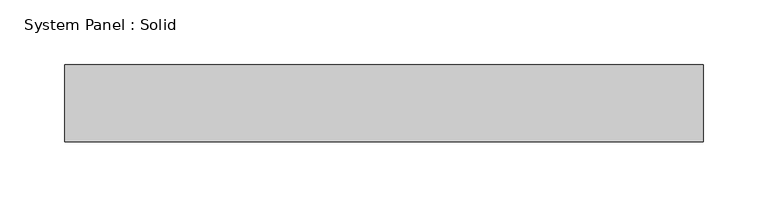
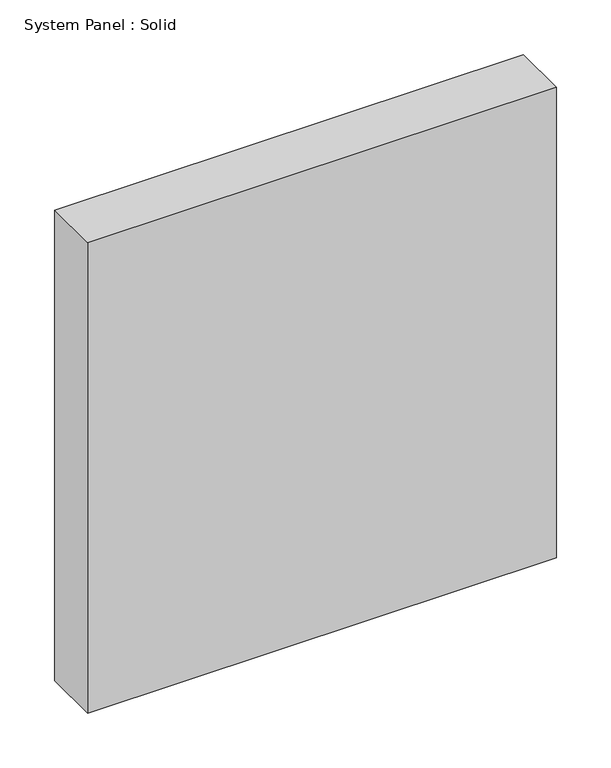
"""IFC4 building model written with IfcOpenShell, lengths in millimetres: plate geometry, System Panel : Solid."""

from ifc_helpers import new_model, si_unit, origin, origin_with_axes, place, context, project, spatial, polyline, outline, extrude, source, transform, mapped, element, save


def system_panel_solid_e5811c88(model_context):
    return source(origin(), model_context, "Body", "SweptSolid", [
        extrude(outline(polyline([(247.5, -10.5), (-247.5, -10.5), (-247.5, 49.5), (247.5, 49.5), (247.5, -10.5)])), origin_with_axes(), (0.0, 0.0, 1.0), 525.0),
    ])


if __name__ == "__main__":
    model = new_model("IFC4")
    model_context = context("Model", 3, world=origin())
    ifc_project = project(units=[si_unit("LENGTHUNIT", "METRE", prefix="MILLI")], contexts=[model_context])
    site = spatial("IfcSite", under=ifc_project)
    building = spatial("IfcBuilding", under=site)
    placement = place(None, origin())
    system_panel_solid_shape = system_panel_solid_e5811c88(model_context)
    element("IfcPlate", 1, ObjectType="System Panel : Solid", at=placement, inside=building, context=model_context, shape_type="MappedRepresentation", body=[
        mapped(system_panel_solid_shape, transform((0.0, 0.0, 0.0), x_axis=(1.0, 0.0, 0.0), y_axis=(0.0, 1.0, 0.0), z_axis=(0.0, 0.0, 1.0))),
    ])
    save(model, "model.ifc")
